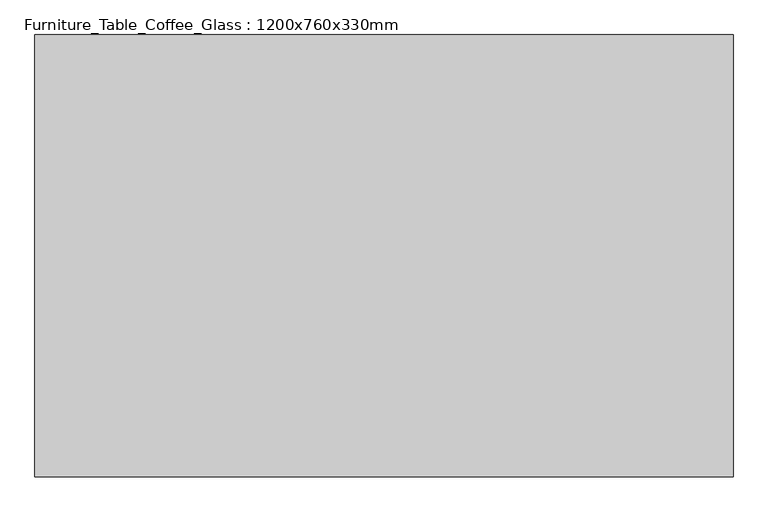
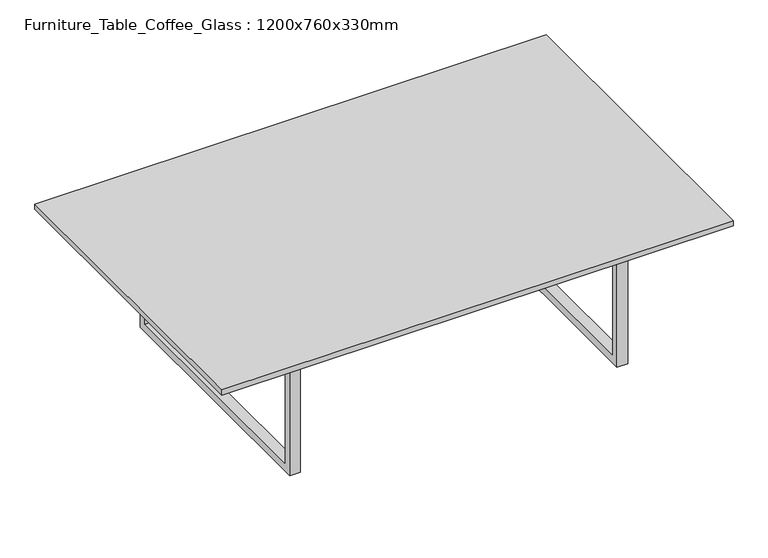
"""IFC4 building model written with IfcOpenShell, lengths in millimetres: furniture geometry, Furniture_Table_Coffee_Glass : 1200x760x330mm."""

from ifc_helpers import new_model, si_unit, frame, origin, place, context, project, spatial, polyline, outline, extrude, source, transform, mapped, element, save


def furniture_table_coffee_glass_1200x760x330mm_c221341c(model_context):
    return source(origin(), model_context, "Body", "SweptSolid", [
        extrude(outline(polyline([(975.1336303, 378.1358318), (975.1336303, 359.0858318), (232.3336303, 359.0858318), (232.3336303, 378.1358318), (975.1336303, 378.1358318)])), frame((0.0, 0.0, 298.25), z_axis=(0.0, 0.0, 1.0), x_axis=(1.0, 0.0, 0.0)), (0.0, 0.0, 1.0), 19.05),
        extrude(outline(polyline([(64.8108318, 317.3), (672.4108318, 317.3), (672.4108318, 0.0), (64.8108318, 0.0), (64.8108318, 317.3)]), holes=[polyline([(83.8608318, 298.25), (83.8608318, 19.05), (653.3608318, 19.05), (653.3608318, 298.25), (83.8608318, 298.25)])]), frame((975.1336303, 0.0, 0.0), z_axis=(1.0, 0.0, 0.0), x_axis=(0.0, 1.0, 0.0)), (0.0, 0.0, 1.0), 25.4),
        extrude(outline(polyline([(64.8108318, 317.3), (672.4108318, 317.3), (672.4108318, 0.0), (64.8108318, 0.0), (64.8108318, 317.3)]), holes=[polyline([(83.8608318, 298.25), (83.8608318, 19.05), (653.3608318, 19.05), (653.3608318, 298.25), (83.8608318, 298.25)])]), frame((206.9336303, 0.0, 0.0), z_axis=(1.0, 0.0, 0.0), x_axis=(0.0, 1.0, 0.0)), (0.0, 0.0, 1.0), 25.4),
        extrude(outline(polyline([(1203.7336303, 748.6108318), (1203.7336303, -11.3891682), (3.7336303, -11.3891682), (3.7336303, 748.6108318), (1203.7336303, 748.6108318)])), frame((0.0, 0.0, 317.3), z_axis=(0.0, 0.0, 1.0), x_axis=(1.0, 0.0, 0.0)), (0.0, 0.0, 1.0), 12.7),
    ])


if __name__ == "__main__":
    model = new_model("IFC4")
    model_context = context("Model", 3, world=origin())
    ifc_project = project(units=[si_unit("LENGTHUNIT", "METRE", prefix="MILLI")], contexts=[model_context])
    site = spatial("IfcSite", under=ifc_project)
    building = spatial("IfcBuilding", under=site)
    placement = place(None, origin())
    furniture_table_coffee_glass_1200x760x330mm_shape = furniture_table_coffee_glass_1200x760x330mm_c221341c(model_context)
    element("IfcFurniture", 1, ObjectType="Furniture_Table_Coffee_Glass : 1200x760x330mm", at=placement, inside=building, context=model_context, shape_type="MappedRepresentation", body=[
        mapped(furniture_table_coffee_glass_1200x760x330mm_shape, transform((0.0, 0.0, 0.0), x_axis=(1.0, 0.0, 0.0), y_axis=(0.0, 1.0, 0.0), z_axis=(0.0, 0.0, 1.0))),
    ])
    save(model, "model.ifc")
